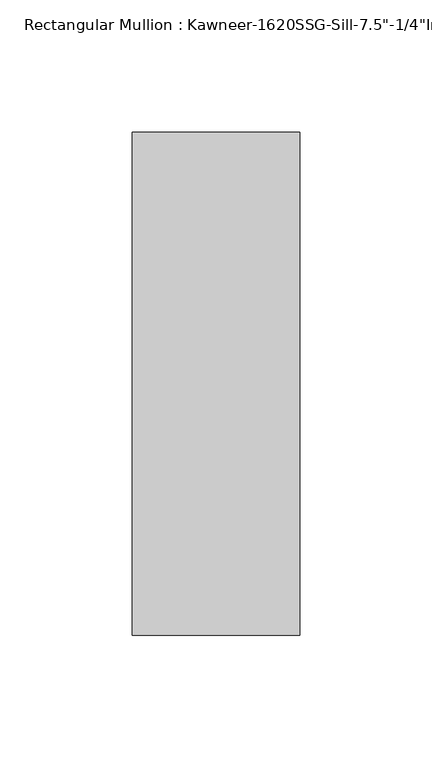
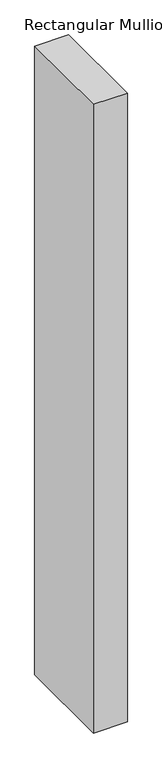
"""IFC4 building model written with IfcOpenShell, lengths in millimetres: member geometry."""

from ifc_helpers import new_model, si_unit, frame, origin, place, context, project, spatial, polyline, outline, extrude, source, transform, mapped, element, save


def member_baea5bb6(model_context):
    return source(origin(), model_context, "Body", "SweptSolid", [
        extrude(outline(polyline([(-63.5, 28.575), (0.0, 28.575), (0.0, -161.925), (-63.5, -161.925), (-63.5, 28.575)])), frame((0.0, 0.0, -1244.3591529), z_axis=(0.0, 0.0, 1.0), x_axis=(1.0, 0.0, 0.0)), (0.0, 0.0, 1.0), 1244.3591529),
    ])


if __name__ == "__main__":
    model = new_model("IFC4")
    model_context = context("Model", 3, world=origin())
    ifc_project = project(units=[si_unit("LENGTHUNIT", "METRE", prefix="MILLI")], contexts=[model_context])
    site = spatial("IfcSite", under=ifc_project)
    building = spatial("IfcBuilding", under=site)
    placement = place(None, origin())
    member_shape = member_baea5bb6(model_context)
    element("IfcMember", 1, ObjectType="Rectangular Mullion : Kawneer-1620SSG-Sill-7.5\"-1/4\"Infill", at=placement, inside=building, context=model_context, shape_type="MappedRepresentation", body=[
        mapped(member_shape, transform((0.0, 0.0, 0.0), x_axis=(1.0, 0.0, 0.0), y_axis=(0.0, 1.0, 0.0), z_axis=(0.0, 0.0, 1.0))),
    ])
    save(model, "model.ifc")
